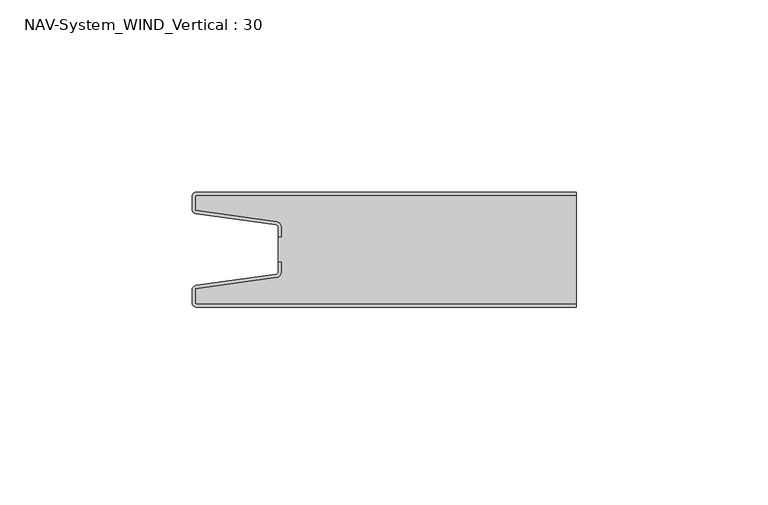
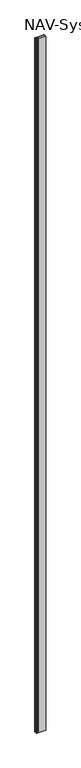
"""IFC4 building model written with IfcOpenShell, lengths in millimetres: plate geometry, NAV-System_WIND_Vertical : 30."""

from ifc_helpers import new_model, si_unit, point, frame_2d, origin, origin_with_axes, place, context, project, spatial, polyline, circle_curve, trimmed, segment, composite_curve, outline, extrude, source, transform, mapped, element, save


def nav_system_wind_vertical_30_e5955534(model_context):
    return source(origin(), model_context, "Body", "SweptSolid", [
        extrude(outline(composite_curve([segment(trimmed(circle_curve(frame_2d((-48.7, -28.7)), 1.3), [point((-48.7, -30.0))], [point((-50.0, -28.7))], False, "CARTESIAN"), True, "CONTINUOUS"), segment(polyline([(-50.0, -28.7), (-50.0, -25.6299809)]), True, "CONTINUOUS"), segment(trimmed(circle_curve(frame_2d((-48.7, -25.6299809)), 1.3), [point((-50.0, -25.6299809))], [point((-48.8810287, -24.342647))], False, "CARTESIAN"), True, "CONTINUOUS"), segment(polyline([(-48.8810287, -24.342647), (-28.102523, -21.4207123)]), True, "CONTINUOUS"), segment(trimmed(circle_curve(frame_2d((-28.2, -20.7275325)), 0.7), [point((-28.102523, -21.4207123))], [point((-27.5, -20.7275325))], True, "CARTESIAN"), True, "CONTINUOUS"), segment(polyline([(-27.5, -20.7275325), (-27.5, -18.3275325), (-26.7, -18.3275325), (-26.7, -20.7275325)]), True, "CONTINUOUS"), segment(trimmed(circle_curve(frame_2d((-28.2, -20.7275325)), 1.5), [point((-26.7, -20.7275325))], [point((-27.9911207, -22.2129178))], False, "CARTESIAN"), True, "CONTINUOUS"), segment(polyline([(-27.9911207, -22.2129178), (-49.2, -25.1953728), (-49.2, -28.7)]), True, "CONTINUOUS"), segment(trimmed(circle_curve(frame_2d((-48.7, -28.7)), 0.5), [point((-49.2, -28.7))], [point((-48.7, -29.2))], True, "CARTESIAN"), True, "CONTINUOUS"), segment(polyline([(-48.7, -29.2), (50.0, -29.2), (50.0, -30.0), (-48.7, -30.0)]), True, "CONTINUOUS")], self_intersect=False)), origin_with_axes(), (0.0, 0.0, 1.0), 8000.0),
        extrude(outline(composite_curve([segment(trimmed(circle_curve(frame_2d((-48.7, -1.3)), 0.5), [point((-48.7, -0.8))], [point((-49.2, -1.3))], True, "CARTESIAN"), True, "CONTINUOUS"), segment(polyline([(-49.2, -1.3), (-49.2, -4.8046272), (-27.9911207, -7.7870822)]), True, "CONTINUOUS"), segment(trimmed(circle_curve(frame_2d((-28.2, -9.2724675)), 1.5), [point((-27.9911207, -7.7870822))], [point((-26.7, -9.2724675))], False, "CARTESIAN"), True, "CONTINUOUS"), segment(polyline([(-26.7, -9.2724675), (-26.7, -11.6724675), (-27.5, -11.6724675), (-27.5, -9.2724675)]), True, "CONTINUOUS"), segment(trimmed(circle_curve(frame_2d((-28.2, -9.2724675)), 0.7), [point((-27.5, -9.2724675))], [point((-28.102523, -8.5792877))], True, "CARTESIAN"), True, "CONTINUOUS"), segment(polyline([(-28.102523, -8.5792877), (-48.8810287, -5.657353)]), True, "CONTINUOUS"), segment(trimmed(circle_curve(frame_2d((-48.7, -4.3700191)), 1.3), [point((-48.8810287, -5.657353))], [point((-50.0, -4.3700191))], False, "CARTESIAN"), True, "CONTINUOUS"), segment(polyline([(-50.0, -4.3700191), (-50.0, -1.3)]), True, "CONTINUOUS"), segment(trimmed(circle_curve(frame_2d((-48.7, -1.3)), 1.3), [point((-50.0, -1.3))], [point((-48.7, 0.0))], False, "CARTESIAN"), True, "CONTINUOUS"), segment(polyline([(-48.7, 0.0), (50.0, 0.0), (50.0, -0.8), (-48.7, -0.8)]), True, "CONTINUOUS")], self_intersect=False)), origin_with_axes(), (0.0, 0.0, 1.0), 8000.0),
        extrude(outline(composite_curve([segment(trimmed(circle_curve(frame_2d((-48.7, -28.7)), 0.5), [point((-48.7, -29.2))], [point((-49.2, -28.7))], False, "CARTESIAN"), True, "CONTINUOUS"), segment(polyline([(-49.2, -28.7), (-49.2, -25.1953728), (-27.9911207, -22.2129178)]), True, "CONTINUOUS"), segment(trimmed(circle_curve(frame_2d((-28.2, -20.7275325)), 1.5), [point((-27.9911207, -22.2129178))], [point((-26.7, -20.7275325))], True, "CARTESIAN"), True, "CONTINUOUS"), segment(polyline([(-26.7, -20.7275325), (-26.7, -18.2767555), (-27.5, -18.2767555), (-27.5, -11.6767555), (-26.7, -11.6767555), (-26.7, -9.2724675)]), True, "CONTINUOUS"), segment(trimmed(circle_curve(frame_2d((-28.2, -9.2724675)), 1.5), [point((-26.7, -9.2724675))], [point((-27.9911207, -7.7870822))], True, "CARTESIAN"), True, "CONTINUOUS"), segment(polyline([(-27.9911207, -7.7870822), (-49.2, -4.8046272), (-49.2, -1.3)]), True, "CONTINUOUS"), segment(trimmed(circle_curve(frame_2d((-48.7, -1.3)), 0.5), [point((-49.2, -1.3))], [point((-48.7, -0.8))], False, "CARTESIAN"), True, "CONTINUOUS"), segment(polyline([(-48.7, -0.8), (50.0, -0.8), (50.0, -29.2), (-48.7, -29.2)]), True, "CONTINUOUS")], self_intersect=False)), origin_with_axes(), (0.0, 0.0, 1.0), 8000.0),
    ])


if __name__ == "__main__":
    model = new_model("IFC4")
    model_context = context("Model", 3, world=origin())
    ifc_project = project(units=[si_unit("LENGTHUNIT", "METRE", prefix="MILLI")], contexts=[model_context])
    site = spatial("IfcSite", under=ifc_project)
    building = spatial("IfcBuilding", under=site)
    placement = place(None, origin())
    nav_system_wind_vertical_30_shape = nav_system_wind_vertical_30_e5955534(model_context)
    element("IfcPlate", 1, ObjectType="NAV-System_WIND_Vertical : 30", at=placement, inside=building, context=model_context, shape_type="MappedRepresentation", body=[
        mapped(nav_system_wind_vertical_30_shape, transform((0.0, 0.0, 0.0), x_axis=(1.0, 0.0, 0.0), y_axis=(0.0, 1.0, 0.0), z_axis=(0.0, 0.0, 1.0))),
    ])
    save(model, "model.ifc")
